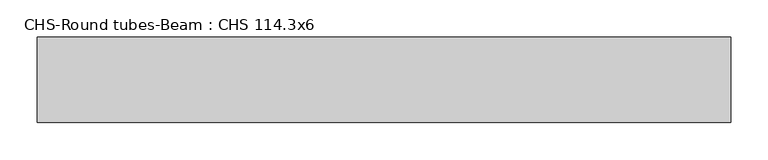
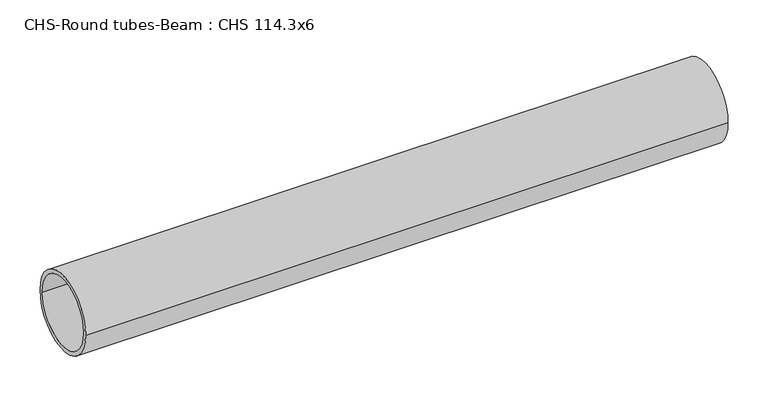
"""IFC4 building model written with IfcOpenShell, lengths in millimetres: beam geometry, CHS-Round tubes-Beam : CHS 114.3x6."""

import ifcopenshell
import ifcopenshell.guid

model = None  # the IFC model being written
_history = None  # IfcOwnerHistory: only IFC2X3 demands one
_inside = {}  # id of a spatial element -> (the spatial element, [elements in it])
_under = {}  # id of a project, library or spatial element -> (it, [spatial elements below it])
_declared = {}  # id of a project -> (the project, [libraries it declares])
_typed = {}  # id of a type object -> (the type object, [elements of that type])
_made_of = {}  # id of a material, layer set ... -> (it, [elements and type objects made of it])


def new_model(schema):
    """Start an empty IFC model of exactly this schema.

    Asked for "IFC4X3", IfcOpenShell would pick the latest addendum, in which some entities
    have other attributes; the version numbers below select the first issue.
    IFC2X3 requires an IfcOwnerHistory on every rooted entity: one is made here for all.
    """
    global model, _history
    if schema == "IFC4X3":
        model = ifcopenshell.file(schema_version=(4, 3, 0, 0))
    else:
        model = ifcopenshell.file(schema=schema)
    _inside.clear()
    _under.clear()
    _declared.clear()
    _typed.clear()
    _made_of.clear()
    _history = None
    if model.schema == "IFC2X3":
        org = make("IfcOrganization", Name="unknown")
        user = make(
            "IfcPersonAndOrganization",
            ThePerson=make("IfcPerson", FamilyName="unknown"),
            TheOrganization=org,
        )
        app = make(
            "IfcApplication",
            ApplicationDeveloper=org,
            Version="unknown",
            ApplicationFullName="unknown",
            ApplicationIdentifier="unknown",
        )
        _history = make(
            "IfcOwnerHistory",
            OwningUser=user,
            OwningApplication=app,
            ChangeAction="ADDED",
            CreationDate=0,
        )
    return model


def make(cls, **values):
    """One entity of the class cls with the attributes given. An attribute that is None is left unset."""
    return model.create_entity(
        cls, **{name: value for name, value in values.items() if value is not None}
    )


def rooted(cls, **values):
    """An entity with a GlobalId (a new one), such as an element, a storey or a relation."""
    return make(cls, GlobalId=ifcopenshell.guid.new(), OwnerHistory=_history, **values)


def si_unit(unit_type, name, prefix=None):
    """IfcSIUnit, for example si_unit("LENGTHUNIT", "METRE", prefix="MILLI")."""
    return make("IfcSIUnit", UnitType=unit_type, Prefix=prefix, Name=name)


def assignment(units):
    """IfcUnitAssignment: the units of a project."""
    return None if units is None else make("IfcUnitAssignment", Units=units)


def point(xyz):
    """IfcCartesianPoint."""
    return None if xyz is None else make("IfcCartesianPoint", Coordinates=xyz)


def direction(xyz):
    """IfcDirection."""
    return None if xyz is None else make("IfcDirection", DirectionRatios=xyz)


def frame(location, z_axis=None, x_axis=None):
    """IfcAxis2Placement3D, a coordinate frame: its origin and axes. An axis left out is left unset."""
    return make(
        "IfcAxis2Placement3D",
        Location=point(location),
        Axis=direction(z_axis),
        RefDirection=direction(x_axis),
    )


def frame_2d(location, x_axis=None):
    """IfcAxis2Placement2D, a coordinate frame in the plane: its origin and x axis."""
    return make(
        "IfcAxis2Placement2D", Location=point(location), RefDirection=direction(x_axis)
    )


def origin():
    """The frame at (0, 0, 0) with its axes left unset."""
    return frame((0.0, 0.0, 0.0))


def origin_2d():
    """The frame at (0, 0) in the plane with its x axis left unset."""
    return frame_2d((0.0, 0.0))


def place(relative_to, where):
    """IfcLocalPlacement: puts the frame where relative to a parent placement (None: the world)."""
    return make(
        "IfcLocalPlacement", PlacementRelTo=relative_to, RelativePlacement=where
    )


def context(
    kind, dimensions, precision=None, world=None, true_north=None, identifier=None
):
    """IfcGeometricRepresentationContext, for example the 3D "Model" context."""
    return make(
        "IfcGeometricRepresentationContext",
        ContextIdentifier=identifier,
        ContextType=kind,
        CoordinateSpaceDimension=dimensions,
        Precision=precision,
        WorldCoordinateSystem=world,
        TrueNorth=true_north,
    )


def project(units=None, contexts=None):
    """IfcProject with its units and contexts."""
    return rooted(
        "IfcProject",
        Name="project",
        RepresentationContexts=contexts,
        UnitsInContext=assignment(units),
    )


def spatial(cls, under=None, at=None, **own):
    """A site, building, storey or space (cls), placed at a placement, below another one or the project."""
    s = rooted(cls, ObjectPlacement=at, **own)
    if under is not None:
        _under.setdefault(under.id(), (under, []))[1].append(s)
    return s


def circle_curve(where, radius):
    """IfcCircle in the frame where."""
    return make("IfcCircle", Position=where, Radius=radius)


def trimmed(basis, trim1, trim2, sense, master):
    """IfcTrimmedCurve: the piece of a basis curve between two trims."""
    return make(
        "IfcTrimmedCurve",
        BasisCurve=basis,
        Trim1=trim1,
        Trim2=trim2,
        SenseAgreement=sense,
        MasterRepresentation=master,
    )


def segment(curve, same_sense, transition):
    """IfcCompositeCurveSegment."""
    return make(
        "IfcCompositeCurveSegment",
        Transition=transition,
        SameSense=same_sense,
        ParentCurve=curve,
    )


def composite_curve(segments, self_intersect=None):
    """IfcCompositeCurve: segments joined end to end."""
    return make("IfcCompositeCurve", Segments=segments, SelfIntersect=self_intersect)


def outline(outer, holes=None, kind="AREA"):
    """IfcArbitraryClosedProfileDef: a profile drawn as a closed curve; with holes, ...WithVoids."""
    if holes is None:
        return make("IfcArbitraryClosedProfileDef", ProfileType=kind, OuterCurve=outer)
    return make(
        "IfcArbitraryProfileDefWithVoids",
        ProfileType=kind,
        OuterCurve=outer,
        InnerCurves=holes,
    )


def extrude(swept, where, along, depth):
    """IfcExtrudedAreaSolid: the profile swept, set in the frame where, extruded along a direction by depth."""
    return make(
        "IfcExtrudedAreaSolid",
        SweptArea=swept,
        Position=where,
        ExtrudedDirection=direction(along),
        Depth=depth,
    )


def shape(context_of_items, identifier, shape_type, items):
    """IfcShapeRepresentation: the items that make up one representation, for example the "Body"."""
    return make(
        "IfcShapeRepresentation",
        ContextOfItems=context_of_items,
        RepresentationIdentifier=identifier,
        RepresentationType=shape_type,
        Items=items,
    )


def source(mapping_origin, context_of_items, identifier, shape_type, items):
    """IfcRepresentationMap: a shape defined once, which mapped items show again and again."""
    return make(
        "IfcRepresentationMap",
        MappingOrigin=mapping_origin,
        MappedRepresentation=shape(context_of_items, identifier, shape_type, items),
    )


def transform(
    local_origin,
    x_axis=None,
    y_axis=None,
    z_axis=None,
    scale=None,
    scale2=None,
    scale3=None,
    uniform=True,
):
    """IfcCartesianTransformationOperator3D, or its non-uniform kind. x_axis, y_axis, z_axis: its Axis1, 2, 3."""
    if uniform:
        return make(
            "IfcCartesianTransformationOperator3D",
            Axis1=direction(x_axis),
            Axis2=direction(y_axis),
            LocalOrigin=point(local_origin),
            Scale=scale,
            Axis3=direction(z_axis),
        )
    return make(
        "IfcCartesianTransformationOperator3DnonUniform",
        Axis1=direction(x_axis),
        Axis2=direction(y_axis),
        LocalOrigin=point(local_origin),
        Scale=scale,
        Axis3=direction(z_axis),
        Scale2=scale2,
        Scale3=scale3,
    )


def mapped(mapping_source, mapping_target):
    """IfcMappedItem: shows the shape of a source again, moved by a transform."""
    return make(
        "IfcMappedItem", MappingSource=mapping_source, MappingTarget=mapping_target
    )


def made_of(thing, what):
    """Note that an element or type object is made of a material, layer set ...; save() writes the relation."""
    if what is not None:
        _made_of.setdefault(what.id(), (what, []))[1].append(thing)
    return thing


def element(
    cls,
    number,
    at=None,
    inside=None,
    cuts=None,
    type_object=None,
    material=None,
    context=None,
    identifier="Body",
    shape_type=None,
    held_by="IfcProductDefinitionShape",
    body=None,
    shapes=None,
    **own,
):
    """One element of the class cls, such as IfcWall. Its Tag is "e" and its number.

    at: its placement. inside: the storey or other place that contains it. cuts: it is an
    opening in that element (IfcRelVoidsElement). A single representation is given by context,
    identifier, shape_type and body (its items); several are given by shapes. held_by: the class
    of the entity that holds the representations. save() writes the other relations.
    """
    e = rooted(cls, Tag="e%d" % number, ObjectPlacement=at, **own)
    if body is not None:
        shapes = [shape(context, identifier, shape_type, body)]
    if shapes is not None:
        e.Representation = make(held_by, Representations=shapes)
    if inside is not None:
        _inside.setdefault(inside.id(), (inside, []))[1].append(e)
    if cuts is not None:
        rooted(
            "IfcRelVoidsElement", RelatingBuildingElement=cuts, RelatedOpeningElement=e
        )
    if type_object is not None:
        _typed.setdefault(type_object.id(), (type_object, []))[1].append(e)
    return made_of(e, material)


def aggregate(whole, parts):
    """IfcRelAggregates: a whole, such as a stair, and the parts it consists of."""
    return rooted("IfcRelAggregates", RelatingObject=whole, RelatedObjects=parts)


def save(model, path):
    """Write the relations noted so far, then the file.

    IfcRelAggregates (storeys below a building ...), IfcRelContainedInSpatialStructure (elements
    in a storey), IfcRelDefinesByType, IfcRelAssociatesMaterial and IfcRelDeclares: one each for
    every whole, place, type object, material and project.
    """
    for whole, parts in _under.values():
        aggregate(whole, parts)
    for where, things in _inside.values():
        rooted(
            "IfcRelContainedInSpatialStructure",
            RelatedElements=things,
            RelatingStructure=where,
        )
    for kind, things in _typed.values():
        rooted("IfcRelDefinesByType", RelatedObjects=things, RelatingType=kind)
    for what, things in _made_of.values():
        rooted("IfcRelAssociatesMaterial", RelatedObjects=things, RelatingMaterial=what)
    for by, libraries in _declared.values():
        rooted("IfcRelDeclares", RelatingContext=by, RelatedDefinitions=libraries)
    model.write(path)


def chs_round_tubes_beam_chs_114_3x6_5f367d74(model_context):
    return source(origin(), model_context, "Body", "SweptSolid", [
        extrude(outline(composite_curve([segment(trimmed(circle_curve(origin_2d(), 57.15), [point((57.15, 0.0))], [point((-57.15, 0.0))], False, "CARTESIAN"), True, "CONTINUOUS"), segment(trimmed(circle_curve(origin_2d(), 57.15), [point((-57.15, 0.0))], [point((57.15, 0.0))], False, "CARTESIAN"), True, "CONTINUOUS")], self_intersect=False), holes=[composite_curve([segment(trimmed(circle_curve(origin_2d(), 51.15), [point((51.15, 0.0))], [point((-51.15, 0.0))], True, "CARTESIAN"), True, "CONTINUOUS"), segment(trimmed(circle_curve(origin_2d(), 51.15), [point((-51.15, 0.0))], [point((51.15, 0.0))], True, "CARTESIAN"), True, "CONTINUOUS")], self_intersect=False)]), frame((-494.0568388, 0.0, 0.0), z_axis=(1.0, 0.0, 0.0), x_axis=(0.0, 1.0, 0.0)), (0.0, 0.0, 1.0), 926.4821115),
    ])


if __name__ == "__main__":
    model = new_model("IFC4")
    model_context = context("Model", 3, world=origin())
    ifc_project = project(units=[si_unit("LENGTHUNIT", "METRE", prefix="MILLI")], contexts=[model_context])
    site = spatial("IfcSite", under=ifc_project)
    building = spatial("IfcBuilding", under=site)
    placement = place(None, origin())
    chs_round_tubes_beam_chs_114_3x6_shape = chs_round_tubes_beam_chs_114_3x6_5f367d74(model_context)
    element("IfcBeam", 1, ObjectType="CHS-Round tubes-Beam : CHS 114.3x6", at=placement, inside=building, context=model_context, shape_type="MappedRepresentation", body=[
        mapped(chs_round_tubes_beam_chs_114_3x6_shape, transform((0.0, 0.0, 0.0), x_axis=(1.0, 0.0, 0.0), y_axis=(0.0, 1.0, 0.0), z_axis=(0.0, 0.0, 1.0))),
    ])
    save(model, "model.ifc")
